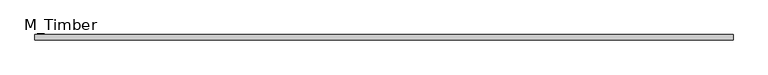
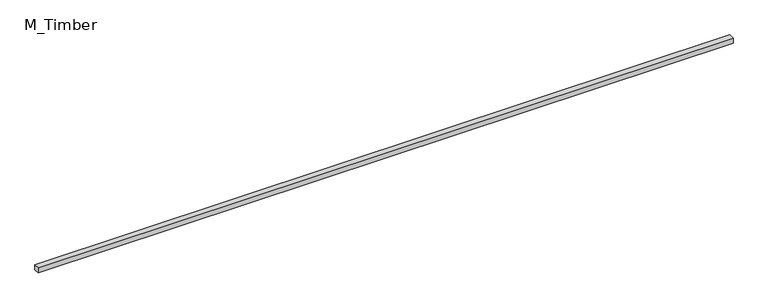
"""IFC4 building model written with IfcOpenShell, lengths in millimetres: beam geometry, M_Timber."""

from ifc_helpers import new_model, si_unit, frame, origin, place, context, project, spatial, polyline, outline, extrude, source, transform, mapped, element, save


def m_timber_4d042673(model_context):
    return source(origin(), model_context, "Body", "SweptSolid", [
        extrude(outline(polyline([(2543.0751963, 20.0), (2543.0751963, -20.0), (-2543.0751963, -20.0), (-2543.0751963, 20.0), (2543.0751963, 20.0)])), frame((0.0, 0.0, -20.0), z_axis=(0.0, 0.0, 1.0), x_axis=(1.0, 0.0, 0.0)), (0.0, 0.0, 1.0), 40.0),
    ])


if __name__ == "__main__":
    model = new_model("IFC4")
    model_context = context("Model", 3, world=origin())
    ifc_project = project(units=[si_unit("LENGTHUNIT", "METRE", prefix="MILLI")], contexts=[model_context])
    site = spatial("IfcSite", under=ifc_project)
    building = spatial("IfcBuilding", under=site)
    placement = place(None, origin())
    m_timber_shape = m_timber_4d042673(model_context)
    element("IfcBeam", 1, ObjectType="M_Timber", at=placement, inside=building, context=model_context, shape_type="MappedRepresentation", body=[
        mapped(m_timber_shape, transform((0.0, 0.0, 0.0), x_axis=(1.0, 0.0, 0.0), y_axis=(0.0, 1.0, 0.0), z_axis=(0.0, 0.0, 1.0))),
    ])
    save(model, "model.ifc")
